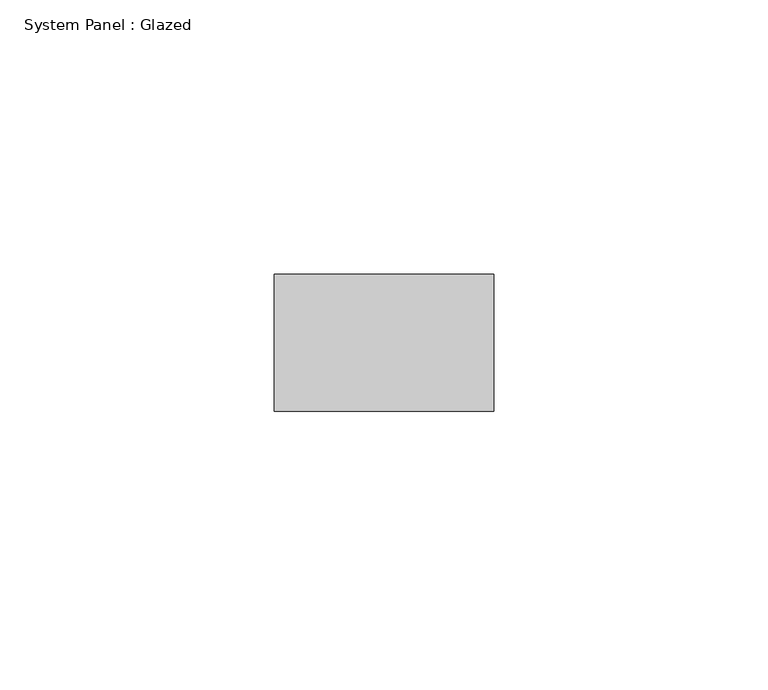
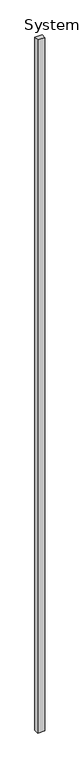
"""IFC4 building model written with IfcOpenShell, lengths in millimetres: plate geometry, System Panel : Glazed."""

import ifcopenshell
import ifcopenshell.guid

model = None  # the IFC model being written
_history = None  # IfcOwnerHistory: only IFC2X3 demands one
_inside = {}  # id of a spatial element -> (the spatial element, [elements in it])
_under = {}  # id of a project, library or spatial element -> (it, [spatial elements below it])
_declared = {}  # id of a project -> (the project, [libraries it declares])
_typed = {}  # id of a type object -> (the type object, [elements of that type])
_made_of = {}  # id of a material, layer set ... -> (it, [elements and type objects made of it])


def new_model(schema):
    """Start an empty IFC model of exactly this schema.

    Asked for "IFC4X3", IfcOpenShell would pick the latest addendum, in which some entities
    have other attributes; the version numbers below select the first issue.
    IFC2X3 requires an IfcOwnerHistory on every rooted entity: one is made here for all.
    """
    global model, _history
    if schema == "IFC4X3":
        model = ifcopenshell.file(schema_version=(4, 3, 0, 0))
    else:
        model = ifcopenshell.file(schema=schema)
    _inside.clear()
    _under.clear()
    _declared.clear()
    _typed.clear()
    _made_of.clear()
    _history = None
    if model.schema == "IFC2X3":
        org = make("IfcOrganization", Name="unknown")
        user = make(
            "IfcPersonAndOrganization",
            ThePerson=make("IfcPerson", FamilyName="unknown"),
            TheOrganization=org,
        )
        app = make(
            "IfcApplication",
            ApplicationDeveloper=org,
            Version="unknown",
            ApplicationFullName="unknown",
            ApplicationIdentifier="unknown",
        )
        _history = make(
            "IfcOwnerHistory",
            OwningUser=user,
            OwningApplication=app,
            ChangeAction="ADDED",
            CreationDate=0,
        )
    return model


def make(cls, **values):
    """One entity of the class cls with the attributes given. An attribute that is None is left unset."""
    return model.create_entity(
        cls, **{name: value for name, value in values.items() if value is not None}
    )


def rooted(cls, **values):
    """An entity with a GlobalId (a new one), such as an element, a storey or a relation."""
    return make(cls, GlobalId=ifcopenshell.guid.new(), OwnerHistory=_history, **values)


def si_unit(unit_type, name, prefix=None):
    """IfcSIUnit, for example si_unit("LENGTHUNIT", "METRE", prefix="MILLI")."""
    return make("IfcSIUnit", UnitType=unit_type, Prefix=prefix, Name=name)


def assignment(units):
    """IfcUnitAssignment: the units of a project."""
    return None if units is None else make("IfcUnitAssignment", Units=units)


def point(xyz):
    """IfcCartesianPoint."""
    return None if xyz is None else make("IfcCartesianPoint", Coordinates=xyz)


def direction(xyz):
    """IfcDirection."""
    return None if xyz is None else make("IfcDirection", DirectionRatios=xyz)


def frame(location, z_axis=None, x_axis=None):
    """IfcAxis2Placement3D, a coordinate frame: its origin and axes. An axis left out is left unset."""
    return make(
        "IfcAxis2Placement3D",
        Location=point(location),
        Axis=direction(z_axis),
        RefDirection=direction(x_axis),
    )


def origin():
    """The frame at (0, 0, 0) with its axes left unset."""
    return frame((0.0, 0.0, 0.0))


def origin_with_axes():
    """The frame at (0, 0, 0) with the z axis (0, 0, 1) and the x axis (1, 0, 0) written out."""
    return frame((0.0, 0.0, 0.0), z_axis=(0.0, 0.0, 1.0), x_axis=(1.0, 0.0, 0.0))


def place(relative_to, where):
    """IfcLocalPlacement: puts the frame where relative to a parent placement (None: the world)."""
    return make(
        "IfcLocalPlacement", PlacementRelTo=relative_to, RelativePlacement=where
    )


def context(
    kind, dimensions, precision=None, world=None, true_north=None, identifier=None
):
    """IfcGeometricRepresentationContext, for example the 3D "Model" context."""
    return make(
        "IfcGeometricRepresentationContext",
        ContextIdentifier=identifier,
        ContextType=kind,
        CoordinateSpaceDimension=dimensions,
        Precision=precision,
        WorldCoordinateSystem=world,
        TrueNorth=true_north,
    )


def project(units=None, contexts=None):
    """IfcProject with its units and contexts."""
    return rooted(
        "IfcProject",
        Name="project",
        RepresentationContexts=contexts,
        UnitsInContext=assignment(units),
    )


def spatial(cls, under=None, at=None, **own):
    """A site, building, storey or space (cls), placed at a placement, below another one or the project."""
    s = rooted(cls, ObjectPlacement=at, **own)
    if under is not None:
        _under.setdefault(under.id(), (under, []))[1].append(s)
    return s


def polyline(points):
    """IfcPolyline through the points."""
    return make("IfcPolyline", Points=[point(p) for p in points])


def outline(outer, holes=None, kind="AREA"):
    """IfcArbitraryClosedProfileDef: a profile drawn as a closed curve; with holes, ...WithVoids."""
    if holes is None:
        return make("IfcArbitraryClosedProfileDef", ProfileType=kind, OuterCurve=outer)
    return make(
        "IfcArbitraryProfileDefWithVoids",
        ProfileType=kind,
        OuterCurve=outer,
        InnerCurves=holes,
    )


def extrude(swept, where, along, depth):
    """IfcExtrudedAreaSolid: the profile swept, set in the frame where, extruded along a direction by depth."""
    return make(
        "IfcExtrudedAreaSolid",
        SweptArea=swept,
        Position=where,
        ExtrudedDirection=direction(along),
        Depth=depth,
    )


def shape(context_of_items, identifier, shape_type, items):
    """IfcShapeRepresentation: the items that make up one representation, for example the "Body"."""
    return make(
        "IfcShapeRepresentation",
        ContextOfItems=context_of_items,
        RepresentationIdentifier=identifier,
        RepresentationType=shape_type,
        Items=items,
    )


def source(mapping_origin, context_of_items, identifier, shape_type, items):
    """IfcRepresentationMap: a shape defined once, which mapped items show again and again."""
    return make(
        "IfcRepresentationMap",
        MappingOrigin=mapping_origin,
        MappedRepresentation=shape(context_of_items, identifier, shape_type, items),
    )


def transform(
    local_origin,
    x_axis=None,
    y_axis=None,
    z_axis=None,
    scale=None,
    scale2=None,
    scale3=None,
    uniform=True,
):
    """IfcCartesianTransformationOperator3D, or its non-uniform kind. x_axis, y_axis, z_axis: its Axis1, 2, 3."""
    if uniform:
        return make(
            "IfcCartesianTransformationOperator3D",
            Axis1=direction(x_axis),
            Axis2=direction(y_axis),
            LocalOrigin=point(local_origin),
            Scale=scale,
            Axis3=direction(z_axis),
        )
    return make(
        "IfcCartesianTransformationOperator3DnonUniform",
        Axis1=direction(x_axis),
        Axis2=direction(y_axis),
        LocalOrigin=point(local_origin),
        Scale=scale,
        Axis3=direction(z_axis),
        Scale2=scale2,
        Scale3=scale3,
    )


def mapped(mapping_source, mapping_target):
    """IfcMappedItem: shows the shape of a source again, moved by a transform."""
    return make(
        "IfcMappedItem", MappingSource=mapping_source, MappingTarget=mapping_target
    )


def made_of(thing, what):
    """Note that an element or type object is made of a material, layer set ...; save() writes the relation."""
    if what is not None:
        _made_of.setdefault(what.id(), (what, []))[1].append(thing)
    return thing


def element(
    cls,
    number,
    at=None,
    inside=None,
    cuts=None,
    type_object=None,
    material=None,
    context=None,
    identifier="Body",
    shape_type=None,
    held_by="IfcProductDefinitionShape",
    body=None,
    shapes=None,
    **own,
):
    """One element of the class cls, such as IfcWall. Its Tag is "e" and its number.

    at: its placement. inside: the storey or other place that contains it. cuts: it is an
    opening in that element (IfcRelVoidsElement). A single representation is given by context,
    identifier, shape_type and body (its items); several are given by shapes. held_by: the class
    of the entity that holds the representations. save() writes the other relations.
    """
    e = rooted(cls, Tag="e%d" % number, ObjectPlacement=at, **own)
    if body is not None:
        shapes = [shape(context, identifier, shape_type, body)]
    if shapes is not None:
        e.Representation = make(held_by, Representations=shapes)
    if inside is not None:
        _inside.setdefault(inside.id(), (inside, []))[1].append(e)
    if cuts is not None:
        rooted(
            "IfcRelVoidsElement", RelatingBuildingElement=cuts, RelatedOpeningElement=e
        )
    if type_object is not None:
        _typed.setdefault(type_object.id(), (type_object, []))[1].append(e)
    return made_of(e, material)


def aggregate(whole, parts):
    """IfcRelAggregates: a whole, such as a stair, and the parts it consists of."""
    return rooted("IfcRelAggregates", RelatingObject=whole, RelatedObjects=parts)


def save(model, path):
    """Write the relations noted so far, then the file.

    IfcRelAggregates (storeys below a building ...), IfcRelContainedInSpatialStructure (elements
    in a storey), IfcRelDefinesByType, IfcRelAssociatesMaterial and IfcRelDeclares: one each for
    every whole, place, type object, material and project.
    """
    for whole, parts in _under.values():
        aggregate(whole, parts)
    for where, things in _inside.values():
        rooted(
            "IfcRelContainedInSpatialStructure",
            RelatedElements=things,
            RelatingStructure=where,
        )
    for kind, things in _typed.values():
        rooted("IfcRelDefinesByType", RelatedObjects=things, RelatingType=kind)
    for what, things in _made_of.values():
        rooted("IfcRelAssociatesMaterial", RelatedObjects=things, RelatingMaterial=what)
    for by, libraries in _declared.values():
        rooted("IfcRelDeclares", RelatingContext=by, RelatedDefinitions=libraries)
    model.write(path)


def system_panel_glazed_87f434e3(model_context):
    return source(origin(), model_context, "Body", "SweptSolid", [
        extrude(outline(polyline([(20.0, 24.5), (-20.0, 24.5), (-20.0, 49.5), (20.0, 49.5), (20.0, 24.5)])), origin_with_axes(), (0.0, 0.0, 1.0), 4000.0),
    ])


if __name__ == "__main__":
    model = new_model("IFC4")
    model_context = context("Model", 3, world=origin())
    ifc_project = project(units=[si_unit("LENGTHUNIT", "METRE", prefix="MILLI")], contexts=[model_context])
    site = spatial("IfcSite", under=ifc_project)
    building = spatial("IfcBuilding", under=site)
    placement = place(None, origin())
    system_panel_glazed_shape = system_panel_glazed_87f434e3(model_context)
    element("IfcPlate", 1, ObjectType="System Panel : Glazed", at=placement, inside=building, context=model_context, shape_type="MappedRepresentation", body=[
        mapped(system_panel_glazed_shape, transform((0.0, 0.0, 0.0), x_axis=(1.0, 0.0, 0.0), y_axis=(0.0, 1.0, 0.0), z_axis=(0.0, 0.0, 1.0))),
    ])
    save(model, "model.ifc")
